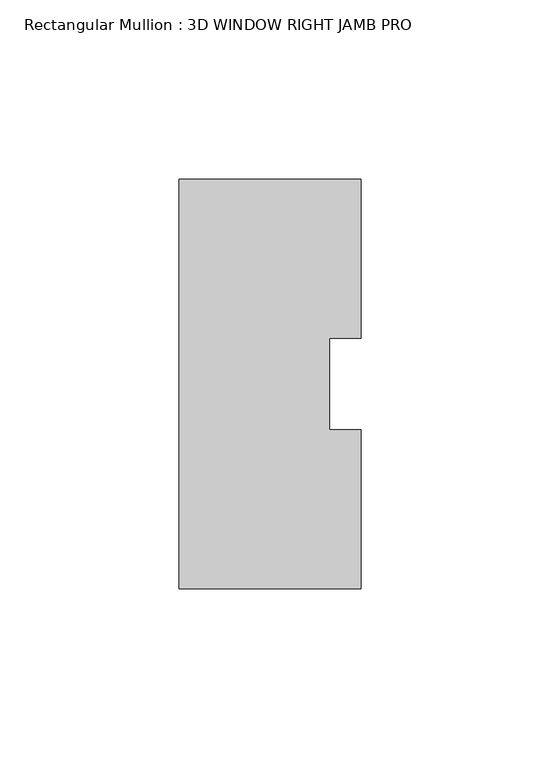
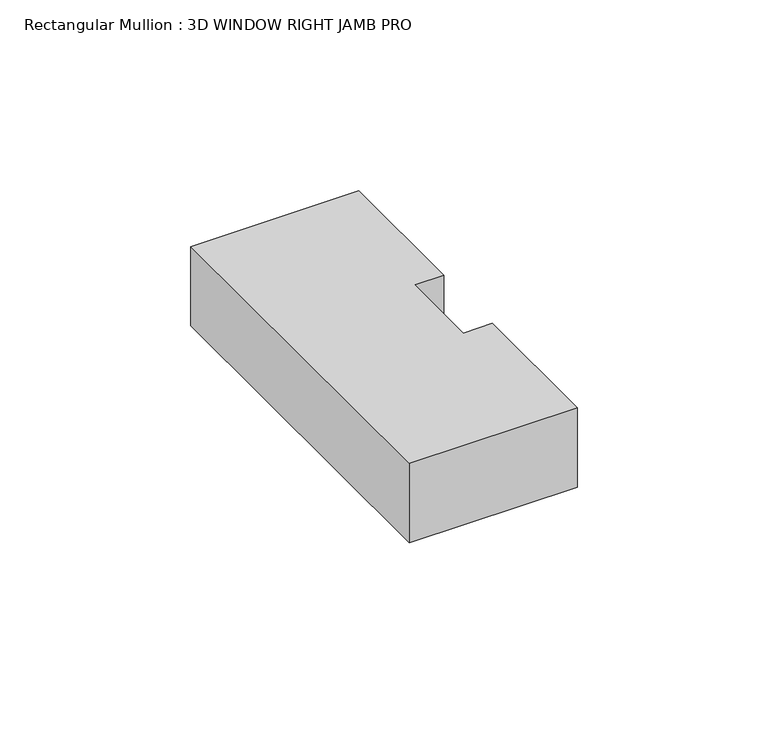
"""IFC4 building model written with IfcOpenShell, lengths in millimetres: member geometry, Rectangular Mullion : 3D WINDOW RIGHT JAMB PRO."""

from ifc_helpers import new_model, si_unit, frame, origin, place, context, project, spatial, polyline, outline, extrude, source, transform, mapped, element, save


def rectangular_mullion_3d_window_right_jamb_pro_3783d3a2(model_context):
    return source(origin(), model_context, "Body", "SweptSolid", [
        extrude(outline(polyline([(25.4, -57.1388465), (-25.4, -57.1388465), (-25.4, 57.1611535), (25.4, 57.1611535), (25.4, 12.7438492), (16.66875, 12.7438492), (16.66875, -12.7438492), (25.4, -12.7438492), (25.4, -57.1388465)])), frame((0.0, 0.0, -25.4), z_axis=(0.0, 0.0, 1.0), x_axis=(1.0, 0.0, 0.0)), (0.0, 0.0, 1.0), 25.4),
    ])


if __name__ == "__main__":
    model = new_model("IFC4")
    model_context = context("Model", 3, world=origin())
    ifc_project = project(units=[si_unit("LENGTHUNIT", "METRE", prefix="MILLI")], contexts=[model_context])
    site = spatial("IfcSite", under=ifc_project)
    building = spatial("IfcBuilding", under=site)
    placement = place(None, origin())
    rectangular_mullion_3d_window_right_jamb_pro_shape = rectangular_mullion_3d_window_right_jamb_pro_3783d3a2(model_context)
    element("IfcMember", 1, ObjectType="Rectangular Mullion : 3D WINDOW RIGHT JAMB PRO", at=placement, inside=building, context=model_context, shape_type="MappedRepresentation", body=[
        mapped(rectangular_mullion_3d_window_right_jamb_pro_shape, transform((0.0, 0.0, 0.0), x_axis=(1.0, 0.0, 0.0), y_axis=(0.0, 1.0, 0.0), z_axis=(0.0, 0.0, 1.0))),
    ])
    save(model, "model.ifc")
